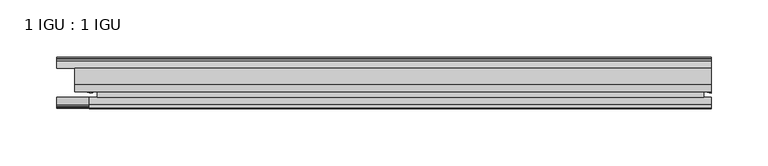
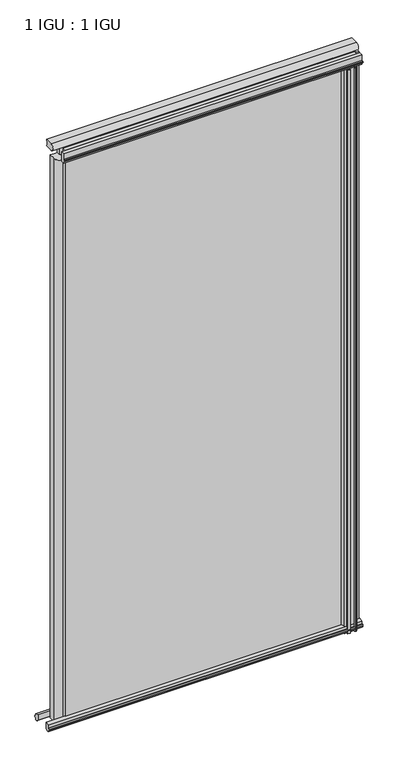
"""IFC4 building model written with IfcOpenShell, lengths in millimetres: plate geometry, 1 IGU : 1 IGU."""

from ifc_helpers import new_model, si_unit, point, frame, frame_2d, origin, place, context, project, spatial, polyline, circle_curve, ellipse_curve, trimmed, segment, composite_curve, outline, extrude, source, transform, mapped, element, save
from ifc_brep_helpers import plane_surface, cylinder_surface, revolved_surface, extruded_surface, advanced_brep


def plate_1_igu_1_igu_51abdfdd(model_context):
    return source(origin(), model_context, "Body", "SolidModel", [
        extrude(outline(polyline([(-218.0669376, -38.6468937), (314.3091251, -38.6468937), (314.3091251, -44.9460938), (-218.0669376, -44.9460938), (-218.0669376, -38.6468937)])), frame((0.0, 0.0, -12.7), z_axis=(0.0, 0.0, 1.0), x_axis=(1.0, 0.0, 0.0)), (0.0, 0.0, 1.0), 1106.5637371),
        extrude(outline(polyline([(-218.0669376, -19.5460937), (314.3091251, -19.5460937), (314.3091251, -25.8960938), (-218.0669376, -25.8960938), (-218.0669376, -19.5460937)])), frame((0.0, 0.0, -12.7), z_axis=(0.0, 0.0, 1.0), x_axis=(1.0, 0.0, 0.0)), (0.0, 0.0, 1.0), 1106.5637371),
        extrude(outline(composite_curve([segment(trimmed(circle_curve(frame_2d((-9.2245666, 1100.1773164)), 12.1106873), [point((-19.5460937, 1106.5125215))], [point((-19.5460937, 1093.8421112))], True, "CARTESIAN"), True, "CONTINUOUS"), segment(polyline([(-19.5460937, 1093.8421112), (-33.8757421, 1093.8421112)]), True, "CONTINUOUS"), segment(trimmed(circle_curve(frame_2d((-33.8757421, 1100.1773164)), 6.3352052), [point((-33.8757421, 1093.8421112))], [point((-33.8757421, 1106.5125215))], False, "CARTESIAN"), True, "CONTINUOUS"), segment(polyline([(-33.8757421, 1106.5125215), (-19.5460937, 1106.5125215)]), True, "CONTINUOUS")], self_intersect=False)), frame((-237.6130313, 0.0, 0.0), z_axis=(1.0, 0.0, 0.0), x_axis=(0.0, 1.0, 0.0)), (0.0, 0.0, 1.0), 558.2721564),
        advanced_brep(
        [(-230.7979231, -20.0381352, -12.4587), (-218.0979231, -19.5460938, -12.4587), (-218.0979231, -27.1259412, -12.4587), (-230.7979231, -32.2460937, -12.4587), (-230.7979231, -20.0381352, 1074.8137371), (-230.7979231, -32.2460937, 1074.8137371), (-218.0979231, -27.1259412, 1074.8137371), (-218.0979231, -19.5460938, 1074.8137371)],
        [
            (0, 1, circle_curve(frame((-225.0811963, -3.4468047, -12.4587), z_axis=(0.0, 0.0, 1.0), x_axis=(1.0, 0.0, 0.0)), 17.5485957)),
            (1, 2),
            (2, 3, ellipse_curve(frame((-223.8617545, -32.2460937, -12.4587), z_axis=(0.0, 0.0, -1.0), x_axis=(0.0, -1.0, 0.0)), 9.2039536, 6.9361686)),
            (3, 0),
            (4, 5),
            (5, 6, ellipse_curve(frame((-223.8617545, -32.2460937, 1074.8137371), z_axis=(0.0, 0.0, 1.0), x_axis=(0.0, -1.0, 0.0)), 9.2039536, 6.9361686)),
            (6, 7),
            (7, 4, circle_curve(frame((-225.0811963, -3.4468047, 1074.8137371), z_axis=(0.0, 0.0, -1.0), x_axis=(1.0, 0.0, 0.0)), 17.5485957)),
            (0, 4),
            (7, 1),
            (6, 2),
            (5, 3),
        ],
        [
            plane_surface(frame((-253.1903751, -13.1960937, -12.4587), z_axis=(0.0, 0.0, -1.0), x_axis=(0.0, 1.0, 0.0))),
            plane_surface(frame((-253.1903751, -13.1960937, 1074.8137371), z_axis=(0.0, 0.0, 1.0), x_axis=(0.0, 1.0, 0.0))),
            revolved_surface(polyline([(-207.5326006, -3.4468047, 1074.8137371), (-207.5326006, -3.4468047, -12.4587)]), (-225.0811963, -3.4468047, -12.4587), (0.0, 0.0, 1.0)),
            plane_surface(frame((-218.0979231, -19.5460938, -12.4587), z_axis=(1.0, 0.0, 0.0), x_axis=(0.0, 0.0, 1.0))),
            extruded_surface(trimmed(ellipse_curve(frame((-223.8617545, -32.2460937, 1074.8137371), z_axis=(0.0, 0.0, -1.0), x_axis=(0.0, -1.0, 0.0)), 9.2039536, 6.9361686), [point((-218.0979231, -27.1259412, 1074.8137371))], [point((-230.7979231, -32.2460937, 1074.8137371))], True, "CARTESIAN"), (0.0, 0.0, -1087.2724371), 1087.2724371),
            plane_surface(frame((-230.7979231, -32.2460937, -12.4587), z_axis=(-1.0, 0.0, 0.0), x_axis=(0.0, 0.0, 1.0))),
        ],
        [
            (0, [[1, 2, 3, 4]]),
            (1, [[5, 6, 7, 8]]),
            (2, [[-1, 9, -8, 10]]),
            (3, [[-2, -10, -7, 11]]),
            (4, [[-3, -11, -6, 12]]),
            (5, [[-4, -12, -5, -9]]),
        ],
    ),
        advanced_brep(
        [(320.6591251, -21.1709383, -12.4587), (320.6591251, -41.5384061, -12.4587), (313.1367879, -32.2460938, -12.4587), (314.3091251, -25.8452938, -12.4587), (314.3091251, -19.5460938, -12.4587), (320.6591251, -21.1709383, 1093.8637371), (314.3091251, -19.5460938, 1093.8637371), (314.3091251, -25.8452938, 1093.8637371), (313.1367879, -32.2460938, 1093.8637371), (320.6591251, -41.5384061, 1093.8637371)],
        [
            (0, 1),
            (1, 2, ellipse_curve(frame((320.6591251, -32.2460938, -12.4587), z_axis=(0.0, 0.0, -1.0), x_axis=(0.0, -1.0, 0.0)), 9.2923124, 7.5223371)),
            (2, 3, circle_curve(frame((331.1967014, -32.2460938, -12.4587), z_axis=(0.0, 0.0, -1.0), x_axis=(1.0, 0.0, 0.0)), 18.0599135)),
            (3, 4),
            (4, 0, circle_curve(frame((320.6591251, -7.950406, -12.4587), z_axis=(0.0, 0.0, 1.0), x_axis=(1.0, 0.0, 0.0)), 13.2205323)),
            (5, 6, circle_curve(frame((320.6591251, -7.950406, 1093.8637371), z_axis=(0.0, 0.0, -1.0), x_axis=(1.0, 0.0, 0.0)), 13.2205323)),
            (6, 7),
            (7, 8, circle_curve(frame((331.1967014, -32.2460938, 1093.8637371), z_axis=(0.0, 0.0, 1.0), x_axis=(1.0, 0.0, 0.0)), 18.0599135)),
            (8, 9, ellipse_curve(frame((320.6591251, -32.2460938, 1093.8637371), z_axis=(0.0, 0.0, 1.0), x_axis=(0.0, -1.0, 0.0)), 9.2923124, 7.5223371)),
            (9, 5),
            (1, 9),
            (8, 2),
            (7, 3),
            (6, 4),
            (5, 0),
        ],
        [
            plane_surface(frame((320.6591251, -13.1960938, -12.4587), z_axis=(0.0, 0.0, -1.0), x_axis=(0.0, 1.0, 0.0))),
            plane_surface(frame((320.6591251, -13.1960938, 1093.8637371), z_axis=(0.0, 0.0, 1.0), x_axis=(0.0, 1.0, 0.0))),
            extruded_surface(trimmed(ellipse_curve(frame((320.6591251, -32.2460938, 1093.8637371), z_axis=(0.0, 0.0, -1.0), x_axis=(0.0, -1.0, 0.0)), 9.2923124, 7.5223371), [point((320.6591251, -41.5384061, 1093.8637371))], [point((313.1367879, -32.2460938, 1093.8637371))], True, "CARTESIAN"), (0.0, 0.0, -1106.3224371), 1106.3224371),
            cylinder_surface(frame((331.1967014, -32.2460938, -12.4587), z_axis=(0.0, 0.0, -1.0), x_axis=(1.0, 0.0, 0.0)), 18.0599135),
            plane_surface(frame((314.3091251, -25.8452938, -12.4587), z_axis=(-1.0, 0.0, 0.0), x_axis=(0.0, 0.0, 1.0))),
            revolved_surface(polyline([(333.8796574, -7.950406, 1093.8637371), (333.8796574, -7.950406, -12.4587)]), (320.6591251, -7.950406, -12.4587), (0.0, 0.0, 1.0)),
            plane_surface(frame((320.6591251, -21.1709383, -12.4587), z_axis=(1.0, 0.0, 0.0), x_axis=(0.0, 0.0, 1.0))),
        ],
        [
            (0, [[1, 2, 3, 4, 5]]),
            (1, [[6, 7, 8, 9, 10]]),
            (2, [[-2, 11, -9, 12]]),
            (3, [[-3, -12, -8, 13]]),
            (4, [[-4, -13, -7, 14]]),
            (5, [[-5, -14, -6, 15]]),
            (6, [[-1, -15, -10, -11]]),
        ],
    ),
        extrude(outline(polyline([(-44.9460937, 1.7177181), (-44.9460937, -9.1036578), (-48.3496937, -11.938), (-51.2960937, -11.938), (-51.2960937, -7.493), (-53.6762907, -7.112), (-53.2163575, -8.5275291), (-54.0175717, -8.5275291), (-54.7250937, -6.35), (-54.0175717, -4.1724709), (-53.2163575, -4.1724709), (-53.6762907, -5.588), (-51.2960937, -5.207), (-51.2960937, 0.0), (-44.9460937, 1.7177181)])), frame((-253.1903751, 0.0, 0.0), z_axis=(1.0, 0.0, 0.0), x_axis=(0.0, 1.0, 0.0)), (0.0, 0.0, 1.0), 573.8495002),
        extrude(outline(polyline([(-13.1960937, -12.4587), (-16.1424937, -12.4587), (-19.5460937, -9.6243578), (-19.5460937, 1.1970181), (-13.1960937, -0.5207), (-13.1960937, -5.7277), (-10.8158968, -6.1087), (-11.27583, -4.6931709), (-10.4746158, -4.6931709), (-9.7670937, -6.8707), (-10.4746158, -9.0482291), (-11.27583, -9.0482291), (-10.8158968, -7.6327), (-13.1960937, -8.0137), (-13.1960937, -12.4587)])), frame((-253.1903751, 0.0, 0.0), z_axis=(1.0, 0.0, 0.0), x_axis=(0.0, 1.0, 0.0)), (0.0, 0.0, 1.0), 573.8495002),
        extrude(outline(composite_curve([segment(polyline([(-44.9380025, 1074.7258348), (-51.2960937, 1074.7258348), (-51.2960937, 1079.5518348), (-54.1955564, 1079.5518348), (-54.8194621, 1080.5291272)]), True, "CONTINUOUS"), segment(trimmed(circle_curve(frame_2d((-53.9630937, 1081.0758348)), 1.016), [point((-54.8194621, 1080.5291272))], [point((-54.8194621, 1081.6225424))], False, "CARTESIAN"), True, "CONTINUOUS"), segment(polyline([(-54.8194621, 1081.6225424), (-54.1955564, 1082.5998348), (-51.2878033, 1082.5998348), (-51.2916866, 1093.7645183), (-44.9380025, 1093.7645183), (-44.9380025, 1074.7258348)]), True, "CONTINUOUS")], self_intersect=False)), frame((-224.8592314, 0.0, 0.0), z_axis=(1.0, 0.0, 0.0), x_axis=(0.0, 1.0, 0.0)), (0.0, 0.0, 1.0), 545.5183565),
        extrude(outline(composite_curve([segment(polyline([(311.1341252, -44.9460938), (311.1341252, -51.2960938), (309.4831252, -51.2960938), (309.4831252, -52.9470938), (310.560756, -52.9470938)]), True, "CONTINUOUS"), segment(trimmed(circle_curve(frame_2d((309.4831252, -52.9470938)), 1.0776307), [point((310.560756, -52.9470938))], [point((310.2451252, -53.7090938))], False, "CARTESIAN"), True, "CONTINUOUS"), segment(polyline([(310.2451252, -53.7090938), (308.5058328, -54.8194621)]), True, "CONTINUOUS"), segment(trimmed(circle_curve(frame_2d((307.9591252, -53.9630938)), 1.016), [point((308.5058328, -54.8194621))], [point((307.4124176, -54.8194621))], False, "CARTESIAN"), True, "CONTINUOUS"), segment(polyline([(307.4124176, -54.8194621), (305.6731252, -53.7090938)]), True, "CONTINUOUS"), segment(trimmed(circle_curve(frame_2d((306.4351252, -52.9470938)), 1.0776307), [point((305.6731252, -53.7090938))], [point((305.3574945, -52.9470938))], False, "CARTESIAN"), True, "CONTINUOUS"), segment(polyline([(305.3574945, -52.9470938), (306.4351252, -52.9470938), (306.4351252, -51.2960938), (297.3673252, -51.2960938)]), True, "CONTINUOUS"), segment(trimmed(circle_curve(frame_2d((297.3673252, -51.7532938)), 0.4572), [point((297.3673252, -51.2960938))], [point((297.0285074, -52.0602698))], True, "CARTESIAN"), True, "CONTINUOUS"), segment(trimmed(circle_curve(frame_2d((295.2591252, -53.663367)), 2.3876), [point((297.0285074, -52.0602698))], [point((297.3297682, -54.8520938))], False, "CARTESIAN"), True, "CONTINUOUS"), segment(polyline([(297.3297682, -54.8520938), (293.1884822, -54.8520938)]), True, "CONTINUOUS"), segment(trimmed(circle_curve(frame_2d((295.2591252, -53.663367)), 2.3876), [point((293.1884822, -54.8520938))], [point((293.4897431, -52.0602698))], False, "CARTESIAN"), True, "CONTINUOUS"), segment(trimmed(circle_curve(frame_2d((293.1509252, -51.7532938)), 0.4572), [point((293.4897431, -52.0602698))], [point((293.1509252, -51.2960938))], True, "CARTESIAN"), True, "CONTINUOUS"), segment(polyline([(293.1509252, -51.2960938), (288.9091252, -51.2960938)]), True, "CONTINUOUS"), segment(trimmed(circle_curve(frame_2d((279.8931938, -51.9750196)), 9.0414579), [point((288.9091252, -51.2960938))], [point((285.5802107, -44.9460938))], True, "CARTESIAN"), True, "CONTINUOUS"), segment(polyline([(285.5802107, -44.9460938), (311.1341252, -44.9460938)]), True, "CONTINUOUS")], self_intersect=False)), frame((0.0, 0.0, -12.7), z_axis=(0.0, 0.0, 1.0), x_axis=(1.0, 0.0, 0.0)), (0.0, 0.0, 1.0), 1087.5137371),
    ])


if __name__ == "__main__":
    model = new_model("IFC4")
    model_context = context("Model", 3, world=origin())
    ifc_project = project(units=[si_unit("LENGTHUNIT", "METRE", prefix="MILLI")], contexts=[model_context])
    site = spatial("IfcSite", under=ifc_project)
    building = spatial("IfcBuilding", under=site)
    placement = place(None, origin())
    plate_1_igu_1_igu_shape = plate_1_igu_1_igu_51abdfdd(model_context)
    element("IfcPlate", 1, ObjectType="1 IGU : 1 IGU", at=placement, inside=building, context=model_context, shape_type="MappedRepresentation", body=[
        mapped(plate_1_igu_1_igu_shape, transform((0.0, 0.0, 0.0), x_axis=(1.0, 0.0, 0.0), y_axis=(0.0, 1.0, 0.0), z_axis=(0.0, 0.0, 1.0))),
    ])
    save(model, "model.ifc")
